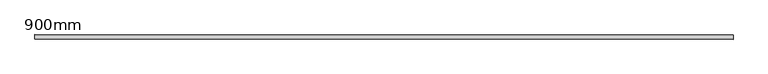
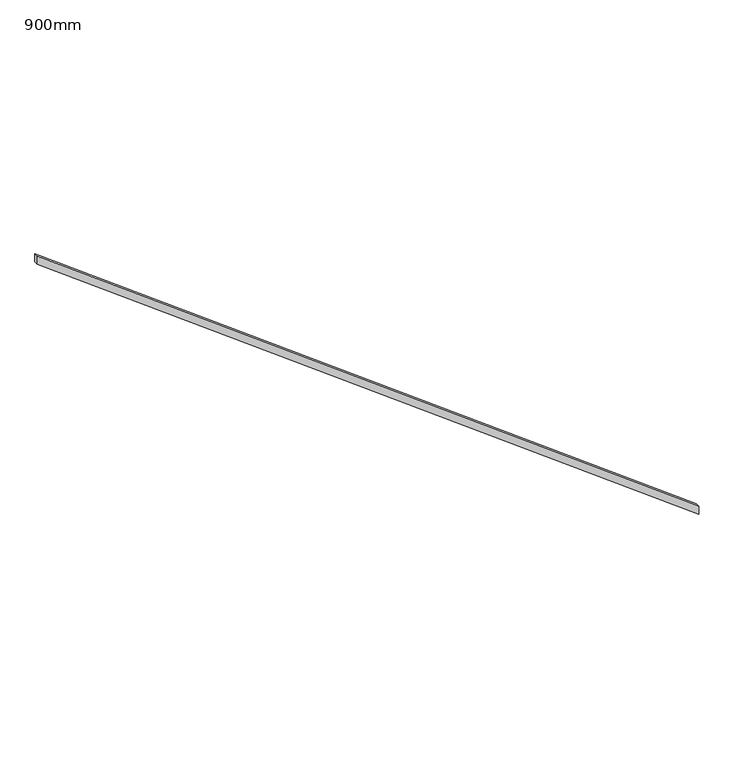
"""IFC4 building model written with IfcOpenShell, lengths in millimetres: railing geometry, 900mm."""

from ifc_helpers import new_model, si_unit, frame, origin, place, context, project, spatial, polyline, outline, extrude, source, transform, mapped, element, save


def railing_900mm_8dbf6165(model_context):
    return source(origin(), model_context, "Body", "SweptSolid", [
        extrude(outline(polyline([(1242.25, 156897.861144), (1337.5, 156897.861144), (7150.0, 149147.861144), (7054.75, 149147.861144), (1242.25, 156897.861144)])), frame((0.0, 50930.0558522, 0.0), z_axis=(0.0, 1.0, 0.0), x_axis=(0.0, 0.0, 1.0)), (0.0, 0.0, 1.0), 50.8),
    ])


if __name__ == "__main__":
    model = new_model("IFC4")
    model_context = context("Model", 3, world=origin())
    ifc_project = project(units=[si_unit("LENGTHUNIT", "METRE", prefix="MILLI")], contexts=[model_context])
    site = spatial("IfcSite", under=ifc_project)
    building = spatial("IfcBuilding", under=site)
    placement = place(None, origin())
    railing_900mm_shape = railing_900mm_8dbf6165(model_context)
    element("IfcRailing", 1, ObjectType="900mm", at=placement, inside=building, context=model_context, shape_type="MappedRepresentation", body=[
        mapped(railing_900mm_shape, transform((0.0, 0.0, 0.0), x_axis=(1.0, 0.0, 0.0), y_axis=(0.0, 1.0, 0.0), z_axis=(0.0, 0.0, 1.0))),
    ])
    save(model, "model.ifc")
